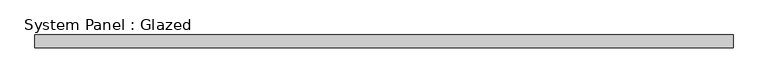
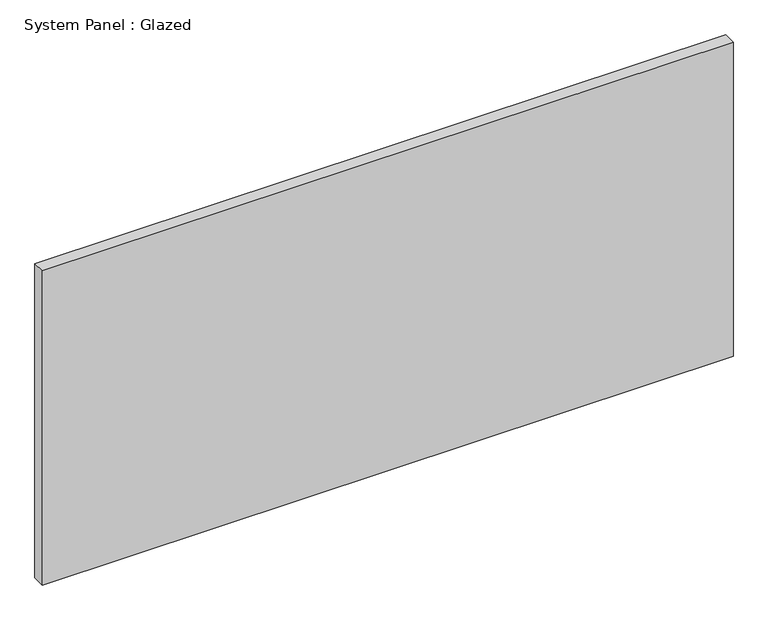
"""IFC4 building model written with IfcOpenShell, lengths in millimetres: plate geometry, System Panel : Glazed."""

from ifc_helpers import new_model, si_unit, origin, origin_with_axes, place, context, project, spatial, polyline, outline, extrude, source, transform, mapped, element, save


def system_panel_glazed_195bff41(model_context):
    return source(origin(), model_context, "Body", "SweptSolid", [
        extrude(outline(polyline([(693.25, 19.05), (-693.25, 19.05), (-693.25, 44.45), (693.25, 44.45), (693.25, 19.05)])), origin_with_axes(), (0.0, 0.0, 1.0), 666.35),
    ])


if __name__ == "__main__":
    model = new_model("IFC4")
    model_context = context("Model", 3, world=origin())
    ifc_project = project(units=[si_unit("LENGTHUNIT", "METRE", prefix="MILLI")], contexts=[model_context])
    site = spatial("IfcSite", under=ifc_project)
    building = spatial("IfcBuilding", under=site)
    placement = place(None, origin())
    system_panel_glazed_shape = system_panel_glazed_195bff41(model_context)
    element("IfcPlate", 1, ObjectType="System Panel : Glazed", at=placement, inside=building, context=model_context, shape_type="MappedRepresentation", body=[
        mapped(system_panel_glazed_shape, transform((0.0, 0.0, 0.0), x_axis=(1.0, 0.0, 0.0), y_axis=(0.0, 1.0, 0.0), z_axis=(0.0, 0.0, 1.0))),
    ])
    save(model, "model.ifc")
